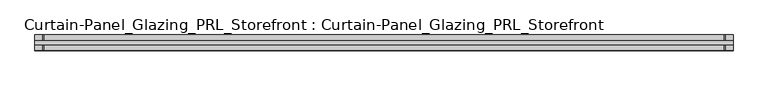
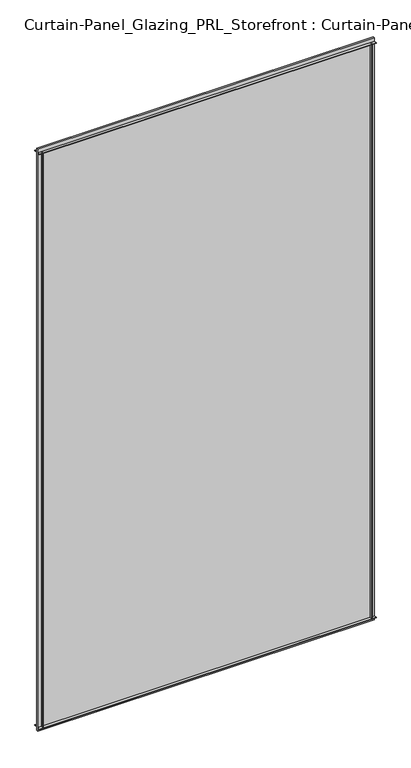
"""IFC4 building model written with IfcOpenShell, lengths in millimetres: plate geometry, Curtain-Panel_Glazing_PRL_Storefront : Curtain-Panel_Glazing_PRL_Storefront."""

from ifc_helpers import new_model, si_unit, frame, origin, origin_with_axes, place, context, project, spatial, polyline, outline, extrude, source, transform, mapped, element, save


def curtain_panel_glazing_prl_storefront_curtain_panel_glazing_509b8be7(model_context):
    return source(origin(), model_context, "Body", "SweptSolid", [
        extrude(outline(polyline([(539.75, -12.7), (538.1625, -12.7), (538.1625, -3.175), (539.75, -3.175), (539.75, -12.7)])), frame((0.0, 0.0, 12.7), z_axis=(0.0, 0.0, 1.0), x_axis=(1.0, 0.0, 0.0)), (0.0, 0.0, 1.0), 2060.575),
        extrude(outline(polyline([(539.75, 12.7), (539.75, 3.175), (538.1625, 3.175), (538.1625, 12.7), (539.75, 12.7)])), frame((0.0, 0.0, 12.7), z_axis=(0.0, 0.0, 1.0), x_axis=(1.0, 0.0, 0.0)), (0.0, 0.0, 1.0), 2060.575),
        extrude(outline(polyline([(-577.85, -12.7), (-577.85, -3.175), (-576.2625, -3.175), (-576.2625, -12.7), (-577.85, -12.7)])), frame((0.0, 0.0, 12.7), z_axis=(0.0, 0.0, 1.0), x_axis=(1.0, 0.0, 0.0)), (0.0, 0.0, 1.0), 2060.575),
        extrude(outline(polyline([(-577.85, 12.7), (-576.2625, 12.7), (-576.2625, 3.175), (-577.85, 3.175), (-577.85, 12.7)])), frame((0.0, 0.0, 12.7), z_axis=(0.0, 0.0, 1.0), x_axis=(1.0, 0.0, 0.0)), (0.0, 0.0, 1.0), 2060.575),
        extrude(outline(polyline([(552.45, 3.175), (552.45, -3.175), (-590.55, -3.175), (-590.55, 3.175), (552.45, 3.175)])), origin_with_axes(), (0.0, 0.0, 1.0), 2085.975),
        extrude(outline(polyline([(-590.55, -12.7), (-590.55, -3.175), (552.45, -3.175), (552.45, -12.7), (-590.55, -12.7)])), frame((0.0, 0.0, 2071.6875), z_axis=(0.0, 0.0, 1.0), x_axis=(1.0, 0.0, 0.0)), (0.0, 0.0, 1.0), 1.5875),
        extrude(outline(polyline([(-590.55, 12.7), (552.45, 12.7), (552.45, 3.175), (-590.55, 3.175), (-590.55, 12.7)])), frame((0.0, 0.0, 2071.6875), z_axis=(0.0, 0.0, 1.0), x_axis=(1.0, 0.0, 0.0)), (0.0, 0.0, 1.0), 1.5875),
        extrude(outline(polyline([(-590.55, -12.7), (-590.55, -3.175), (552.45, -3.175), (552.45, -12.7), (-590.55, -12.7)])), frame((0.0, 0.0, 12.7), z_axis=(0.0, 0.0, 1.0), x_axis=(1.0, 0.0, 0.0)), (0.0, 0.0, 1.0), 1.5875),
        extrude(outline(polyline([(-590.55, 12.7), (552.45, 12.7), (552.45, 3.175), (-590.55, 3.175), (-590.55, 12.7)])), frame((0.0, 0.0, 12.7), z_axis=(0.0, 0.0, 1.0), x_axis=(1.0, 0.0, 0.0)), (0.0, 0.0, 1.0), 1.5875),
    ])


if __name__ == "__main__":
    model = new_model("IFC4")
    model_context = context("Model", 3, world=origin())
    ifc_project = project(units=[si_unit("LENGTHUNIT", "METRE", prefix="MILLI")], contexts=[model_context])
    site = spatial("IfcSite", under=ifc_project)
    building = spatial("IfcBuilding", under=site)
    placement = place(None, origin())
    curtain_panel_glazing_prl_storefront_curtain_panel_glazing_shape = curtain_panel_glazing_prl_storefront_curtain_panel_glazing_509b8be7(model_context)
    element("IfcPlate", 1, ObjectType="Curtain-Panel_Glazing_PRL_Storefront : Curtain-Panel_Glazing_PRL_Storefront", at=placement, inside=building, context=model_context, shape_type="MappedRepresentation", body=[
        mapped(curtain_panel_glazing_prl_storefront_curtain_panel_glazing_shape, transform((0.0, 0.0, 0.0), x_axis=(1.0, 0.0, 0.0), y_axis=(0.0, 1.0, 0.0), z_axis=(0.0, 0.0, 1.0))),
    ])
    save(model, "model.ifc")
